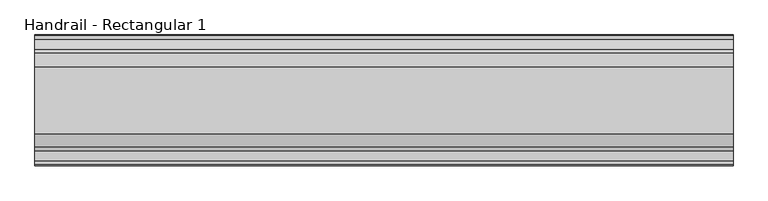
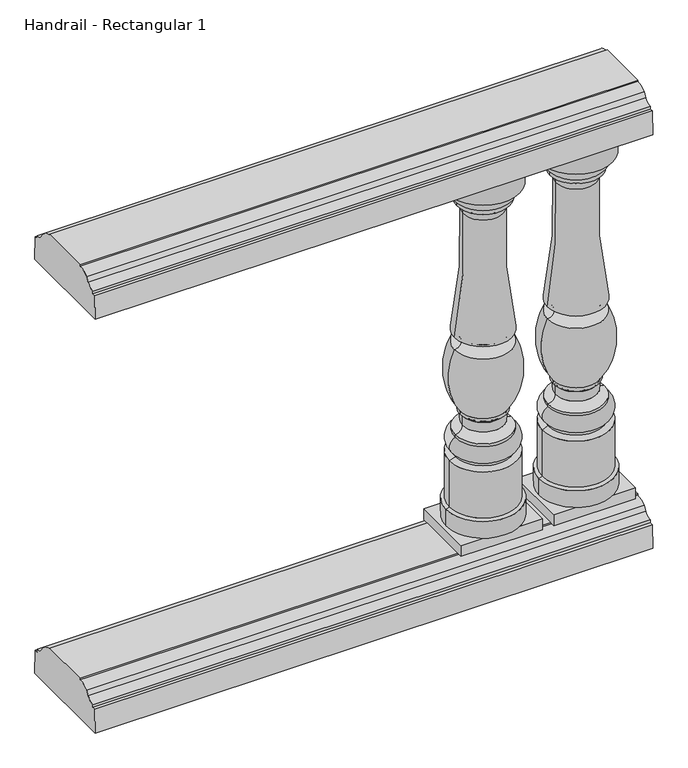
"""IFC4 building model written with IfcOpenShell, lengths in millimetres: railing geometry, Handrail - Rectangular 1."""

from ifc_helpers import new_model, si_unit, point, frame, frame_2d, origin, place, context, project, spatial, polyline, circle_curve, ellipse_curve, trimmed, segment, composite_curve, outline, extrude, source, transform, mapped, element, save
from ifc_brep_helpers import plane_surface, cylinder_surface, revolved_surface, advanced_brep


def handrail_rectangular_1_4c1480f2(model_context):
    return source(origin(), model_context, "Body", "SolidModel", [
        extrude(outline(composite_curve([segment(trimmed(circle_curve(frame_2d((2037.3551798, 1045.36875)), 19.84375), [point((2037.3551798, 1025.525))], [point((2054.4756216, 1035.3355607))], True, "CARTESIAN"), True, "CONTINUOUS"), segment(polyline([(2054.4756216, 1035.3355607), (2060.9356936, 1044.7951059)]), True, "CONTINUOUS"), segment(trimmed(circle_curve(frame_2d((2084.9801798, 1018.38125)), 35.71875), [point((2060.9356936, 1044.7951059))], [point((2084.9801798, 1054.1))], False, "CARTESIAN"), True, "CONTINUOUS"), segment(polyline([(2084.9801798, 1054.1), (2084.9801798, 1057.275), (2200.8676798, 1057.275), (2200.8676798, 1054.1)]), True, "CONTINUOUS"), segment(trimmed(circle_curve(frame_2d((2200.8676798, 1018.38125)), 35.71875), [point((2200.8676798, 1054.1))], [point((2224.912166, 1044.7951059))], False, "CARTESIAN"), True, "CONTINUOUS"), segment(polyline([(2224.912166, 1044.7951059), (2231.372238, 1035.3355607)]), True, "CONTINUOUS"), segment(trimmed(circle_curve(frame_2d((2248.4926798, 1045.36875)), 19.84375), [point((2231.372238, 1035.3355607))], [point((2248.4926798, 1025.525))], True, "CARTESIAN"), True, "CONTINUOUS"), segment(polyline([(2248.4926798, 1025.525), (2248.4926798, 1019.175), (2255.6364298, 1019.175), (2257.2239298, 965.2), (2028.6239298, 965.2), (2030.2114298, 1019.175), (2037.3551798, 1019.175), (2037.3551798, 1025.525)]), True, "CONTINUOUS")], self_intersect=False)), frame((2209.1566037, 0.0, 0.0), z_axis=(1.0, 0.0, 0.0), x_axis=(0.0, 1.0, 0.0)), (0.0, 0.0, 1.0), 1219.2),
        extrude(outline(composite_curve([segment(trimmed(circle_curve(frame_2d((2037.3551798, 89.69375)), 19.84375), [point((2037.3551798, 69.85))], [point((2054.4756216, 79.6605607))], True, "CARTESIAN"), True, "CONTINUOUS"), segment(polyline([(2054.4756216, 79.6605607), (2060.9356936, 89.1201059)]), True, "CONTINUOUS"), segment(trimmed(circle_curve(frame_2d((2084.9801798, 62.70625)), 35.71875), [point((2060.9356936, 89.1201059))], [point((2084.9801798, 98.425))], False, "CARTESIAN"), True, "CONTINUOUS"), segment(polyline([(2084.9801798, 98.425), (2084.9801798, 101.6), (2200.8676798, 101.6), (2200.8676798, 98.425)]), True, "CONTINUOUS"), segment(trimmed(circle_curve(frame_2d((2200.8676798, 62.70625)), 35.71875), [point((2200.8676798, 98.425))], [point((2224.912166, 89.1201059))], False, "CARTESIAN"), True, "CONTINUOUS"), segment(polyline([(2224.912166, 89.1201059), (2231.372238, 79.6605607)]), True, "CONTINUOUS"), segment(trimmed(circle_curve(frame_2d((2248.4926798, 89.69375)), 19.84375), [point((2231.372238, 79.6605607))], [point((2248.4926798, 69.85))], True, "CARTESIAN"), True, "CONTINUOUS"), segment(polyline([(2248.4926798, 69.85), (2248.4926798, 63.5), (2255.6364298, 63.5), (2257.2239298, 9.525), (2028.6239298, 9.525), (2030.2114298, 63.5), (2037.3551798, 63.5), (2037.3551798, 69.85)]), True, "CONTINUOUS")], self_intersect=False)), frame((2209.1566037, 0.0, 0.0), z_axis=(1.0, 0.0, 0.0), x_axis=(0.0, 1.0, 0.0)), (0.0, 0.0, 1.0), 1219.2),
        advanced_brep(
        [(3326.7566037, 2142.9239298, 939.8), (3247.3816037, 2142.9239298, 939.8), (3406.1316037, 2142.9239298, 939.8), (3407.7191037, 2142.9239298, 127.0), (3245.7941037, 2142.9239298, 127.0), (3326.7566037, 2142.9239298, 127.0), (3407.7191037, 2142.9239298, 165.2785542), (3245.7941037, 2142.9239298, 165.2785542), (3400.5753537, 2142.9239298, 168.275), (3252.9378537, 2142.9239298, 168.275), (3400.5753537, 2142.9239298, 274.7335284), (3252.9378537, 2142.9239298, 274.7335284), (3387.8753537, 2142.9239298, 280.19375), (3265.6378537, 2142.9239298, 280.19375), (3387.8753537, 2142.9239298, 286.54375), (3265.6378537, 2142.9239298, 286.54375), (3387.8753537, 2142.9239298, 324.64375), (3265.6378537, 2142.9239298, 324.64375), (3387.8753537, 2142.9239298, 330.99375), (3265.6378537, 2142.9239298, 330.99375), (3372.1684576, 2142.9239298, 347.276159), (3281.3447498, 2142.9239298, 347.276159), (3372.1684576, 2142.9239298, 368.8906259), (3281.3447498, 2142.9239298, 368.8906259), (3376.7628537, 2142.9239298, 373.85625), (3276.7503537, 2142.9239298, 373.85625), (3376.7628537, 2142.9239298, 381.4842759), (3276.7503537, 2142.9239298, 381.4842759), (3389.4628537, 2142.9239298, 527.84375), (3264.0503537, 2142.9239298, 527.84375), (3389.4628537, 2142.9239298, 556.41875), (3264.0503537, 2142.9239298, 556.41875), (3370.9287519, 2142.9239298, 836.1713606), (3282.5844556, 2142.9239298, 836.1713606), (3383.9066037, 2142.9239298, 858.04375), (3269.6066037, 2142.9239298, 858.04375), (3383.9066037, 2142.9239298, 866.775), (3269.6066037, 2142.9239298, 866.775), (3395.0191037, 2142.9239298, 892.175), (3258.4941037, 2142.9239298, 892.175), (3406.1316037, 2142.9239298, 895.35), (3247.3816037, 2142.9239298, 895.35)],
        [
            (0, 1),
            (1, 2, circle_curve(frame((3326.7566037, 2142.9239298, 939.8), z_axis=(0.0, 0.0, 1.0), x_axis=(-1.0, 0.0, 0.0)), 79.375)),
            (2, 0),
            (2, 1, circle_curve(frame((3326.7566037, 2142.9239298, 939.8), z_axis=(0.0, 0.0, 1.0), x_axis=(-1.0, 0.0, 0.0)), 79.375)),
            (3, 4, circle_curve(frame((3326.7566037, 2142.9239298, 127.0), z_axis=(0.0, 0.0, -1.0), x_axis=(-1.0, 0.0, 0.0)), 80.9625)),
            (4, 5),
            (5, 3),
            (4, 3, circle_curve(frame((3326.7566037, 2142.9239298, 127.0), z_axis=(0.0, 0.0, -1.0), x_axis=(-1.0, 0.0, 0.0)), 80.9625)),
            (6, 7, circle_curve(frame((3326.7566037, 2142.9239298, 165.2785542), z_axis=(0.0, 0.0, -1.0), x_axis=(-1.0, 0.0, 0.0)), 80.9625)),
            (7, 4),
            (3, 6),
            (7, 6, circle_curve(frame((3326.7566037, 2142.9239298, 165.2785542), z_axis=(0.0, 0.0, -1.0), x_axis=(-1.0, 0.0, 0.0)), 80.9625)),
            (8, 9, circle_curve(frame((3326.7566037, 2142.9239298, 168.275), z_axis=(0.0, 0.0, -1.0), x_axis=(-1.0, 0.0, 0.0)), 73.81875)),
            (9, 7),
            (6, 8),
            (9, 8, circle_curve(frame((3326.7566037, 2142.9239298, 168.275), z_axis=(0.0, 0.0, -1.0), x_axis=(-1.0, 0.0, 0.0)), 73.81875)),
            (10, 11, circle_curve(frame((3326.7566037, 2142.9239298, 274.7335284), z_axis=(0.0, 0.0, -1.0), x_axis=(-1.0, 0.0, 0.0)), 73.81875)),
            (11, 9),
            (8, 10),
            (11, 10, circle_curve(frame((3326.7566037, 2142.9239298, 274.7335284), z_axis=(0.0, 0.0, -1.0), x_axis=(-1.0, 0.0, 0.0)), 73.81875)),
            (12, 13, circle_curve(frame((3326.7566037, 2142.9239298, 280.19375), z_axis=(0.0, 0.0, -1.0), x_axis=(-1.0, 0.0, 0.0)), 61.11875)),
            (13, 11),
            (10, 12),
            (13, 12, circle_curve(frame((3326.7566037, 2142.9239298, 280.19375), z_axis=(0.0, 0.0, -1.0), x_axis=(-1.0, 0.0, 0.0)), 61.11875)),
            (14, 15, circle_curve(frame((3326.7566037, 2142.9239298, 286.54375), z_axis=(0.0, 0.0, -1.0), x_axis=(-1.0, 0.0, 0.0)), 61.11875)),
            (15, 13),
            (12, 14),
            (15, 14, circle_curve(frame((3326.7566037, 2142.9239298, 286.54375), z_axis=(0.0, 0.0, -1.0), x_axis=(-1.0, 0.0, 0.0)), 61.11875)),
            (16, 17, circle_curve(frame((3326.7566037, 2142.9239298, 324.64375), z_axis=(0.0, 0.0, -1.0), x_axis=(-1.0, 0.0, 0.0)), 61.11875)),
            (17, 15, circle_curve(frame((3273.9031639, 2142.9239298, 305.59375), z_axis=(0.0, -1.0, 0.0), x_axis=(1.0, 0.0, 0.0)), 20.7657856)),
            (14, 16, circle_curve(frame((3379.6100435, 2142.9239298, 305.59375), z_axis=(0.0, -1.0, 0.0), x_axis=(-1.0, 0.0, 0.0)), 20.7657856)),
            (17, 16, circle_curve(frame((3326.7566037, 2142.9239298, 324.64375), z_axis=(0.0, 0.0, -1.0), x_axis=(-1.0, 0.0, 0.0)), 61.11875)),
            (18, 19, circle_curve(frame((3326.7566037, 2142.9239298, 330.99375), z_axis=(0.0, 0.0, -1.0), x_axis=(-1.0, 0.0, 0.0)), 61.11875)),
            (19, 17),
            (16, 18),
            (19, 18, circle_curve(frame((3326.7566037, 2142.9239298, 330.99375), z_axis=(0.0, 0.0, -1.0), x_axis=(-1.0, 0.0, 0.0)), 61.11875)),
            (20, 21, circle_curve(frame((3326.7566037, 2142.9239298, 347.276159), z_axis=(0.0, 0.0, -1.0), x_axis=(-1.0, 0.0, 0.0)), 45.4118539)),
            (21, 19, circle_curve(frame((3266.1048262, 2142.9239298, 346.26035), z_axis=(0.0, 1.0, 0.0), x_axis=(1.0, 0.0, 0.0)), 15.2737402)),
            (18, 20, circle_curve(frame((3387.4083812, 2142.9239298, 346.26035), z_axis=(0.0, 1.0, 0.0), x_axis=(-1.0, 0.0, 0.0)), 15.2737402)),
            (21, 20, circle_curve(frame((3326.7566037, 2142.9239298, 347.276159), z_axis=(0.0, 0.0, -1.0), x_axis=(-1.0, 0.0, 0.0)), 45.4118539)),
            (22, 23, circle_curve(frame((3326.7566037, 2142.9239298, 368.8906259), z_axis=(0.0, 0.0, -1.0), x_axis=(-1.0, 0.0, 0.0)), 45.4118539)),
            (23, 21),
            (20, 22),
            (23, 22, circle_curve(frame((3326.7566037, 2142.9239298, 368.8906259), z_axis=(0.0, 0.0, -1.0), x_axis=(-1.0, 0.0, 0.0)), 45.4118539)),
            (24, 25, circle_curve(frame((3326.7566037, 2142.9239298, 373.85625), z_axis=(0.0, 0.0, -1.0), x_axis=(-1.0, 0.0, 0.0)), 50.00625)),
            (25, 23, circle_curve(frame((3276.4985073, 2142.9239298, 369.014959), z_axis=(0.0, 1.0, 0.0), x_axis=(1.0, 0.0, 0.0)), 4.8478372)),
            (22, 24, circle_curve(frame((3377.0147002, 2142.9239298, 369.014959), z_axis=(0.0, 1.0, 0.0), x_axis=(-1.0, 0.0, 0.0)), 4.8478372)),
            (25, 24, circle_curve(frame((3326.7566037, 2142.9239298, 373.85625), z_axis=(0.0, 0.0, -1.0), x_axis=(-1.0, 0.0, 0.0)), 50.00625)),
            (26, 27, circle_curve(frame((3326.7566037, 2142.9239298, 381.4842759), z_axis=(0.0, 0.0, -1.0), x_axis=(-1.0, 0.0, 0.0)), 50.00625)),
            (27, 25),
            (24, 26),
            (27, 26, circle_curve(frame((3326.7566037, 2142.9239298, 381.4842759), z_axis=(0.0, 0.0, -1.0), x_axis=(-1.0, 0.0, 0.0)), 50.00625)),
            (28, 29, circle_curve(frame((3326.7566037, 2142.9239298, 527.84375), z_axis=(0.0, 0.0, -1.0), x_axis=(-1.0, 0.0, 0.0)), 62.70625)),
            (29, 27, circle_curve(frame((3394.3873348, 2142.9239298, 465.4226923), z_axis=(0.0, -1.0, 0.0), x_axis=(1.0, 0.0, 0.0)), 144.5133802)),
            (26, 28, circle_curve(frame((3259.1258727, 2142.9239298, 465.4226923), z_axis=(0.0, -1.0, 0.0), x_axis=(-1.0, 0.0, 0.0)), 144.5133802)),
            (29, 28, circle_curve(frame((3326.7566037, 2142.9239298, 527.84375), z_axis=(0.0, 0.0, -1.0), x_axis=(-1.0, 0.0, 0.0)), 62.70625)),
            (30, 31, circle_curve(frame((3326.7566037, 2142.9239298, 556.41875), z_axis=(0.0, 0.0, -1.0), x_axis=(-1.0, 0.0, 0.0)), 62.70625)),
            (31, 29, circle_curve(frame((3264.898477, 2142.9239298, 542.13125), z_axis=(0.0, 1.0, 0.0), x_axis=(1.0, 0.0, 0.0)), 14.3126507)),
            (28, 30, circle_curve(frame((3388.6147304, 2142.9239298, 542.13125), z_axis=(0.0, 1.0, 0.0), x_axis=(-1.0, 0.0, 0.0)), 14.3126507)),
            (31, 30, circle_curve(frame((3326.7566037, 2142.9239298, 556.41875), z_axis=(0.0, 0.0, -1.0), x_axis=(-1.0, 0.0, 0.0)), 62.70625)),
            (32, 33, circle_curve(frame((3326.7566037, 2142.9239298, 836.1713606), z_axis=(0.0, 0.0, -1.0), x_axis=(-1.0, 0.0, 0.0)), 44.1721482)),
            (33, 31, circle_curve(frame((2152.7651051, 2142.9239298, 770.5336134), z_axis=(0.0, 1.0, 0.0), x_axis=(1.0, 0.0, 0.0)), 1131.7243827)),
            (30, 32, circle_curve(frame((4500.7481023, 2142.9239298, 770.5336134), z_axis=(0.0, 1.0, 0.0), x_axis=(-1.0, 0.0, 0.0)), 1131.7243827)),
            (33, 32, circle_curve(frame((3326.7566037, 2142.9239298, 836.1713606), z_axis=(0.0, 0.0, -1.0), x_axis=(-1.0, 0.0, 0.0)), 44.1721482)),
            (34, 35, circle_curve(frame((3326.7566037, 2142.9239298, 858.04375), z_axis=(0.0, 0.0, -1.0), x_axis=(-1.0, 0.0, 0.0)), 57.15)),
            (35, 33, circle_curve(frame((3261.5621509, 2142.9239298, 838.4842616), z_axis=(0.0, 1.0, 0.0), x_axis=(1.0, 0.0, 0.0)), 21.1491562)),
            (32, 34, circle_curve(frame((3391.9510566, 2142.9239298, 838.4842616), z_axis=(0.0, 1.0, 0.0), x_axis=(-1.0, 0.0, 0.0)), 21.1491562)),
            (35, 34, circle_curve(frame((3326.7566037, 2142.9239298, 858.04375), z_axis=(0.0, 0.0, -1.0), x_axis=(-1.0, 0.0, 0.0)), 57.15)),
            (36, 37, circle_curve(frame((3326.7566037, 2142.9239298, 866.775), z_axis=(0.0, 0.0, -1.0), x_axis=(-1.0, 0.0, 0.0)), 57.15)),
            (37, 35),
            (34, 36),
            (37, 36, circle_curve(frame((3326.7566037, 2142.9239298, 866.775), z_axis=(0.0, 0.0, -1.0), x_axis=(-1.0, 0.0, 0.0)), 57.15)),
            (38, 39, circle_curve(frame((3326.7566037, 2142.9239298, 892.175), z_axis=(0.0, 0.0, -1.0), x_axis=(-1.0, 0.0, 0.0)), 68.2625)),
            (39, 37, circle_curve(frame((3287.8317085, 2142.9239298, 889.8793427), z_axis=(0.0, -1.0, 0.0), x_axis=(1.0, 0.0, 0.0)), 29.4272849)),
            (36, 38, circle_curve(frame((3365.6814989, 2142.9239298, 889.8793427), z_axis=(0.0, -1.0, 0.0), x_axis=(-1.0, 0.0, 0.0)), 29.4272849)),
            (39, 38, circle_curve(frame((3326.7566037, 2142.9239298, 892.175), z_axis=(0.0, 0.0, -1.0), x_axis=(-1.0, 0.0, 0.0)), 68.2625)),
            (40, 41, circle_curve(frame((3326.7566037, 2142.9239298, 895.35), z_axis=(0.0, 0.0, -1.0), x_axis=(-1.0, 0.0, 0.0)), 79.375)),
            (41, 39),
            (38, 40),
            (41, 40, circle_curve(frame((3326.7566037, 2142.9239298, 895.35), z_axis=(0.0, 0.0, -1.0), x_axis=(-1.0, 0.0, 0.0)), 79.375)),
            (1, 41),
            (40, 2),
        ],
        [
            plane_surface(frame((3326.7566037, 2142.9239298, 939.8), z_axis=(0.0, 0.0, 1.0), x_axis=(-1.0, 0.0, 0.0))),
            plane_surface(frame((3326.7566037, 2142.9239298, 127.0), z_axis=(0.0, 0.0, -1.0), x_axis=(-1.0, 0.0, 0.0))),
            cylinder_surface(frame((3326.7566037, 2142.9239298, 1009.65), z_axis=(0.0, 0.0, 1.0), x_axis=(-1.0, 0.0, 0.0)), 80.9625),
            revolved_surface(polyline([(3245.7941037, 2142.9239298, 165.2785542), (3252.9378537, 2142.9239298, 168.275)]), (3326.7566037, 2142.9239298, 1009.65), (0.0, 0.0, 1.0)),
            cylinder_surface(frame((3326.7566037, 2142.9239298, 1009.65), z_axis=(0.0, 0.0, 1.0), x_axis=(-1.0, 0.0, 0.0)), 73.81875),
            revolved_surface(polyline([(3252.9378537, 2142.9239298, 274.7335284), (3265.6378537, 2142.9239298, 280.19375)]), (3326.7566037, 2142.9239298, 1009.65), (0.0, 0.0, 1.0)),
            cylinder_surface(frame((3326.7566037, 2142.9239298, 1009.65), z_axis=(0.0, 0.0, 1.0), x_axis=(-1.0, 0.0, 0.0)), 61.11875),
            revolved_surface(trimmed(ellipse_curve(frame((3273.9031639, 2142.9239298, 305.59375), z_axis=(0.0, 1.0, 0.0), x_axis=(1.0, 0.0, 0.0)), 20.7657856, 20.7657856), [point((3265.6378537, 2142.9239298, 286.54375))], [point((3265.6378537, 2142.9239298, 324.64375))], True, "CARTESIAN"), (3326.7566037, 2142.9239298, 1009.65), (0.0, 0.0, 1.0)),
            revolved_surface(trimmed(ellipse_curve(frame((3266.1048262, 2142.9239298, 346.26035), z_axis=(0.0, -1.0, 0.0), x_axis=(1.0, 0.0, 0.0)), 15.2737402, 15.2737402), [point((3265.6378537, 2142.9239298, 330.99375))], [point((3281.3447498, 2142.9239298, 347.276159))], True, "CARTESIAN"), (3326.7566037, 2142.9239298, 1009.65), (0.0, 0.0, 1.0)),
            cylinder_surface(frame((3326.7566037, 2142.9239298, 1009.65), z_axis=(0.0, 0.0, 1.0), x_axis=(-1.0, 0.0, 0.0)), 45.4118539),
            revolved_surface(trimmed(ellipse_curve(frame((3276.4985073, 2142.9239298, 369.014959), z_axis=(0.0, -1.0, 0.0), x_axis=(1.0, 0.0, 0.0)), 4.8478372, 4.8478372), [point((3281.3447498, 2142.9239298, 368.8906259))], [point((3276.7503537, 2142.9239298, 373.85625))], True, "CARTESIAN"), (3326.7566037, 2142.9239298, 1009.65), (0.0, 0.0, 1.0)),
            cylinder_surface(frame((3326.7566037, 2142.9239298, 1009.65), z_axis=(0.0, 0.0, 1.0), x_axis=(-1.0, 0.0, 0.0)), 50.00625),
            revolved_surface(trimmed(ellipse_curve(frame((3394.3873348, 2142.9239298, 465.4226923), z_axis=(0.0, 1.0, 0.0), x_axis=(1.0, 0.0, 0.0)), 144.5133802, 144.5133802), [point((3276.7503537, 2142.9239298, 381.4842759))], [point((3264.0503537, 2142.9239298, 527.84375))], True, "CARTESIAN"), (3326.7566037, 2142.9239298, 1009.65), (0.0, 0.0, 1.0)),
            revolved_surface(trimmed(ellipse_curve(frame((3264.898477, 2142.9239298, 542.13125), z_axis=(0.0, -1.0, 0.0), x_axis=(1.0, 0.0, 0.0)), 14.3126507, 14.3126507), [point((3264.0503537, 2142.9239298, 527.84375))], [point((3264.0503537, 2142.9239298, 556.41875))], True, "CARTESIAN"), (3326.7566037, 2142.9239298, 1009.65), (0.0, 0.0, 1.0)),
            revolved_surface(trimmed(ellipse_curve(frame((2152.7651051, 2142.9239298, 770.5336134), z_axis=(0.0, -1.0, 0.0), x_axis=(1.0, 0.0, 0.0)), 1131.7243827, 1131.7243827), [point((3264.0503537, 2142.9239298, 556.41875))], [point((3282.5844556, 2142.9239298, 836.1713606))], True, "CARTESIAN"), (3326.7566037, 2142.9239298, 1009.65), (0.0, 0.0, 1.0)),
            revolved_surface(trimmed(ellipse_curve(frame((3261.5621509, 2142.9239298, 838.4842616), z_axis=(0.0, -1.0, 0.0), x_axis=(1.0, 0.0, 0.0)), 21.1491562, 21.1491562), [point((3282.5844556, 2142.9239298, 836.1713606))], [point((3269.6066037, 2142.9239298, 858.04375))], True, "CARTESIAN"), (3326.7566037, 2142.9239298, 1009.65), (0.0, 0.0, 1.0)),
            cylinder_surface(frame((3326.7566037, 2142.9239298, 1009.65), z_axis=(0.0, 0.0, 1.0), x_axis=(-1.0, 0.0, 0.0)), 57.15),
            revolved_surface(trimmed(ellipse_curve(frame((3287.8317085, 2142.9239298, 889.8793427), z_axis=(0.0, 1.0, 0.0), x_axis=(1.0, 0.0, 0.0)), 29.4272849, 29.4272849), [point((3269.6066037, 2142.9239298, 866.775))], [point((3258.4941037, 2142.9239298, 892.175))], True, "CARTESIAN"), (3326.7566037, 2142.9239298, 1009.65), (0.0, 0.0, 1.0)),
            revolved_surface(polyline([(3258.4941037, 2142.9239298, 892.175), (3247.3816037, 2142.9239298, 895.35)]), (3326.7566037, 2142.9239298, 1009.65), (0.0, 0.0, 1.0)),
            cylinder_surface(frame((3326.7566037, 2142.9239298, 1009.65), z_axis=(0.0, 0.0, 1.0), x_axis=(-1.0, 0.0, 0.0)), 79.375),
        ],
        [
            (0, [[1, 2, 3]]),
            (0, [[-3, 4, -1]]),
            (1, [[5, 6, 7]]),
            (1, [[8, -7, -6]]),
            (2, [[9, 10, -5, 11]]),
            (2, [[12, -11, -8, -10]]),
            (3, [[13, 14, -9, 15]]),
            (3, [[16, -15, -12, -14]]),
            (4, [[17, 18, -13, 19]]),
            (4, [[20, -19, -16, -18]]),
            (5, [[21, 22, -17, 23]]),
            (5, [[24, -23, -20, -22]]),
            (6, [[25, 26, -21, 27]]),
            (6, [[28, -27, -24, -26]]),
            (7, [[29, 30, -25, 31]]),
            (7, [[32, -31, -28, -30]]),
            (6, [[33, 34, -29, 35]]),
            (6, [[36, -35, -32, -34]]),
            (8, [[37, 38, -33, 39]]),
            (8, [[40, -39, -36, -38]]),
            (9, [[41, 42, -37, 43]]),
            (9, [[44, -43, -40, -42]]),
            (10, [[45, 46, -41, 47]]),
            (10, [[48, -47, -44, -46]]),
            (11, [[49, 50, -45, 51]]),
            (11, [[52, -51, -48, -50]]),
            (12, [[53, 54, -49, 55]]),
            (12, [[56, -55, -52, -54]]),
            (13, [[57, 58, -53, 59]]),
            (13, [[60, -59, -56, -58]]),
            (14, [[61, 62, -57, 63]]),
            (14, [[64, -63, -60, -62]]),
            (15, [[65, 66, -61, 67]]),
            (15, [[68, -67, -64, -66]]),
            (16, [[69, 70, -65, 71]]),
            (16, [[72, -71, -68, -70]]),
            (17, [[73, 74, -69, 75]]),
            (17, [[76, -75, -72, -74]]),
            (18, [[77, 78, -73, 79]]),
            (18, [[80, -79, -76, -78]]),
            (19, [[-2, 81, -77, 82]]),
            (19, [[-4, -82, -80, -81]]),
        ],
    ),
        extrude(outline(polyline([(3237.8566037, 2073.0739298), (3237.8566037, 2212.7739298), (3415.6566037, 2212.7739298), (3415.6566037, 2073.0739298), (3237.8566037, 2073.0739298)])), frame((0.0, 0.0, 101.6), z_axis=(0.0, 0.0, 1.0), x_axis=(1.0, 0.0, 0.0)), (0.0, 0.0, 1.0), 25.4),
        extrude(outline(polyline([(3237.8566037, 2212.7739298), (3415.6566037, 2212.7739298), (3415.6566037, 2073.0739298), (3237.8566037, 2073.0739298), (3237.8566037, 2212.7739298)])), frame((0.0, 0.0, 939.8), z_axis=(0.0, 0.0, 1.0), x_axis=(1.0, 0.0, 0.0)), (0.0, 0.0, 1.0), 25.4),
        advanced_brep(
        [(3123.5566037, 2142.9239298, 939.8), (3044.1816037, 2142.9239298, 939.8), (3202.9316037, 2142.9239298, 939.8), (3204.5191037, 2142.9239298, 127.0), (3042.5941037, 2142.9239298, 127.0), (3123.5566037, 2142.9239298, 127.0), (3204.5191037, 2142.9239298, 165.2785542), (3042.5941037, 2142.9239298, 165.2785542), (3197.3753537, 2142.9239298, 168.275), (3049.7378537, 2142.9239298, 168.275), (3197.3753537, 2142.9239298, 274.7335284), (3049.7378537, 2142.9239298, 274.7335284), (3184.6753537, 2142.9239298, 280.19375), (3062.4378537, 2142.9239298, 280.19375), (3184.6753537, 2142.9239298, 286.54375), (3062.4378537, 2142.9239298, 286.54375), (3184.6753537, 2142.9239298, 324.64375), (3062.4378537, 2142.9239298, 324.64375), (3184.6753537, 2142.9239298, 330.99375), (3062.4378537, 2142.9239298, 330.99375), (3168.9684576, 2142.9239298, 347.276159), (3078.1447498, 2142.9239298, 347.276159), (3168.9684576, 2142.9239298, 368.8906259), (3078.1447498, 2142.9239298, 368.8906259), (3173.5628537, 2142.9239298, 373.85625), (3073.5503537, 2142.9239298, 373.85625), (3173.5628537, 2142.9239298, 381.4842759), (3073.5503537, 2142.9239298, 381.4842759), (3186.2628537, 2142.9239298, 527.84375), (3060.8503537, 2142.9239298, 527.84375), (3186.2628537, 2142.9239298, 556.41875), (3060.8503537, 2142.9239298, 556.41875), (3167.7287519, 2142.9239298, 836.1713606), (3079.3844556, 2142.9239298, 836.1713606), (3180.7066037, 2142.9239298, 858.04375), (3066.4066037, 2142.9239298, 858.04375), (3180.7066037, 2142.9239298, 866.775), (3066.4066037, 2142.9239298, 866.775), (3191.8191037, 2142.9239298, 892.175), (3055.2941037, 2142.9239298, 892.175), (3202.9316037, 2142.9239298, 895.35), (3044.1816037, 2142.9239298, 895.35)],
        [
            (0, 1),
            (1, 2, circle_curve(frame((3123.5566037, 2142.9239298, 939.8), z_axis=(0.0, 0.0, 1.0), x_axis=(-1.0, 0.0, 0.0)), 79.375)),
            (2, 0),
            (2, 1, circle_curve(frame((3123.5566037, 2142.9239298, 939.8), z_axis=(0.0, 0.0, 1.0), x_axis=(-1.0, 0.0, 0.0)), 79.375)),
            (3, 4, circle_curve(frame((3123.5566037, 2142.9239298, 127.0), z_axis=(0.0, 0.0, -1.0), x_axis=(-1.0, 0.0, 0.0)), 80.9625)),
            (4, 5),
            (5, 3),
            (4, 3, circle_curve(frame((3123.5566037, 2142.9239298, 127.0), z_axis=(0.0, 0.0, -1.0), x_axis=(-1.0, 0.0, 0.0)), 80.9625)),
            (6, 7, circle_curve(frame((3123.5566037, 2142.9239298, 165.2785542), z_axis=(0.0, 0.0, -1.0), x_axis=(-1.0, 0.0, 0.0)), 80.9625)),
            (7, 4),
            (3, 6),
            (7, 6, circle_curve(frame((3123.5566037, 2142.9239298, 165.2785542), z_axis=(0.0, 0.0, -1.0), x_axis=(-1.0, 0.0, 0.0)), 80.9625)),
            (8, 9, circle_curve(frame((3123.5566037, 2142.9239298, 168.275), z_axis=(0.0, 0.0, -1.0), x_axis=(-1.0, 0.0, 0.0)), 73.81875)),
            (9, 7),
            (6, 8),
            (9, 8, circle_curve(frame((3123.5566037, 2142.9239298, 168.275), z_axis=(0.0, 0.0, -1.0), x_axis=(-1.0, 0.0, 0.0)), 73.81875)),
            (10, 11, circle_curve(frame((3123.5566037, 2142.9239298, 274.7335284), z_axis=(0.0, 0.0, -1.0), x_axis=(-1.0, 0.0, 0.0)), 73.81875)),
            (11, 9),
            (8, 10),
            (11, 10, circle_curve(frame((3123.5566037, 2142.9239298, 274.7335284), z_axis=(0.0, 0.0, -1.0), x_axis=(-1.0, 0.0, 0.0)), 73.81875)),
            (12, 13, circle_curve(frame((3123.5566037, 2142.9239298, 280.19375), z_axis=(0.0, 0.0, -1.0), x_axis=(-1.0, 0.0, 0.0)), 61.11875)),
            (13, 11),
            (10, 12),
            (13, 12, circle_curve(frame((3123.5566037, 2142.9239298, 280.19375), z_axis=(0.0, 0.0, -1.0), x_axis=(-1.0, 0.0, 0.0)), 61.11875)),
            (14, 15, circle_curve(frame((3123.5566037, 2142.9239298, 286.54375), z_axis=(0.0, 0.0, -1.0), x_axis=(-1.0, 0.0, 0.0)), 61.11875)),
            (15, 13),
            (12, 14),
            (15, 14, circle_curve(frame((3123.5566037, 2142.9239298, 286.54375), z_axis=(0.0, 0.0, -1.0), x_axis=(-1.0, 0.0, 0.0)), 61.11875)),
            (16, 17, circle_curve(frame((3123.5566037, 2142.9239298, 324.64375), z_axis=(0.0, 0.0, -1.0), x_axis=(-1.0, 0.0, 0.0)), 61.11875)),
            (17, 15, circle_curve(frame((3070.7031639, 2142.9239298, 305.59375), z_axis=(0.0, -1.0, 0.0), x_axis=(1.0, 0.0, 0.0)), 20.7657856)),
            (14, 16, circle_curve(frame((3176.4100435, 2142.9239298, 305.59375), z_axis=(0.0, -1.0, 0.0), x_axis=(-1.0, 0.0, 0.0)), 20.7657856)),
            (17, 16, circle_curve(frame((3123.5566037, 2142.9239298, 324.64375), z_axis=(0.0, 0.0, -1.0), x_axis=(-1.0, 0.0, 0.0)), 61.11875)),
            (18, 19, circle_curve(frame((3123.5566037, 2142.9239298, 330.99375), z_axis=(0.0, 0.0, -1.0), x_axis=(-1.0, 0.0, 0.0)), 61.11875)),
            (19, 17),
            (16, 18),
            (19, 18, circle_curve(frame((3123.5566037, 2142.9239298, 330.99375), z_axis=(0.0, 0.0, -1.0), x_axis=(-1.0, 0.0, 0.0)), 61.11875)),
            (20, 21, circle_curve(frame((3123.5566037, 2142.9239298, 347.276159), z_axis=(0.0, 0.0, -1.0), x_axis=(-1.0, 0.0, 0.0)), 45.4118539)),
            (21, 19, circle_curve(frame((3062.9048262, 2142.9239298, 346.26035), z_axis=(0.0, 1.0, 0.0), x_axis=(1.0, 0.0, 0.0)), 15.2737402)),
            (18, 20, circle_curve(frame((3184.2083812, 2142.9239298, 346.26035), z_axis=(0.0, 1.0, 0.0), x_axis=(-1.0, 0.0, 0.0)), 15.2737402)),
            (21, 20, circle_curve(frame((3123.5566037, 2142.9239298, 347.276159), z_axis=(0.0, 0.0, -1.0), x_axis=(-1.0, 0.0, 0.0)), 45.4118539)),
            (22, 23, circle_curve(frame((3123.5566037, 2142.9239298, 368.8906259), z_axis=(0.0, 0.0, -1.0), x_axis=(-1.0, 0.0, 0.0)), 45.4118539)),
            (23, 21),
            (20, 22),
            (23, 22, circle_curve(frame((3123.5566037, 2142.9239298, 368.8906259), z_axis=(0.0, 0.0, -1.0), x_axis=(-1.0, 0.0, 0.0)), 45.4118539)),
            (24, 25, circle_curve(frame((3123.5566037, 2142.9239298, 373.85625), z_axis=(0.0, 0.0, -1.0), x_axis=(-1.0, 0.0, 0.0)), 50.00625)),
            (25, 23, circle_curve(frame((3073.2985073, 2142.9239298, 369.014959), z_axis=(0.0, 1.0, 0.0), x_axis=(1.0, 0.0, 0.0)), 4.8478372)),
            (22, 24, circle_curve(frame((3173.8147002, 2142.9239298, 369.014959), z_axis=(0.0, 1.0, 0.0), x_axis=(-1.0, 0.0, 0.0)), 4.8478372)),
            (25, 24, circle_curve(frame((3123.5566037, 2142.9239298, 373.85625), z_axis=(0.0, 0.0, -1.0), x_axis=(-1.0, 0.0, 0.0)), 50.00625)),
            (26, 27, circle_curve(frame((3123.5566037, 2142.9239298, 381.4842759), z_axis=(0.0, 0.0, -1.0), x_axis=(-1.0, 0.0, 0.0)), 50.00625)),
            (27, 25),
            (24, 26),
            (27, 26, circle_curve(frame((3123.5566037, 2142.9239298, 381.4842759), z_axis=(0.0, 0.0, -1.0), x_axis=(-1.0, 0.0, 0.0)), 50.00625)),
            (28, 29, circle_curve(frame((3123.5566037, 2142.9239298, 527.84375), z_axis=(0.0, 0.0, -1.0), x_axis=(-1.0, 0.0, 0.0)), 62.70625)),
            (29, 27, circle_curve(frame((3191.1873348, 2142.9239298, 465.4226923), z_axis=(0.0, -1.0, 0.0), x_axis=(1.0, 0.0, 0.0)), 144.5133802)),
            (26, 28, circle_curve(frame((3055.9258727, 2142.9239298, 465.4226923), z_axis=(0.0, -1.0, 0.0), x_axis=(-1.0, 0.0, 0.0)), 144.5133802)),
            (29, 28, circle_curve(frame((3123.5566037, 2142.9239298, 527.84375), z_axis=(0.0, 0.0, -1.0), x_axis=(-1.0, 0.0, 0.0)), 62.70625)),
            (30, 31, circle_curve(frame((3123.5566037, 2142.9239298, 556.41875), z_axis=(0.0, 0.0, -1.0), x_axis=(-1.0, 0.0, 0.0)), 62.70625)),
            (31, 29, circle_curve(frame((3061.698477, 2142.9239298, 542.13125), z_axis=(0.0, 1.0, 0.0), x_axis=(1.0, 0.0, 0.0)), 14.3126507)),
            (28, 30, circle_curve(frame((3185.4147304, 2142.9239298, 542.13125), z_axis=(0.0, 1.0, 0.0), x_axis=(-1.0, 0.0, 0.0)), 14.3126507)),
            (31, 30, circle_curve(frame((3123.5566037, 2142.9239298, 556.41875), z_axis=(0.0, 0.0, -1.0), x_axis=(-1.0, 0.0, 0.0)), 62.70625)),
            (32, 33, circle_curve(frame((3123.5566037, 2142.9239298, 836.1713606), z_axis=(0.0, 0.0, -1.0), x_axis=(-1.0, 0.0, 0.0)), 44.1721482)),
            (33, 31, circle_curve(frame((1949.5651051, 2142.9239298, 770.5336134), z_axis=(0.0, 1.0, 0.0), x_axis=(1.0, 0.0, 0.0)), 1131.7243827)),
            (30, 32, circle_curve(frame((4297.5481023, 2142.9239298, 770.5336134), z_axis=(0.0, 1.0, 0.0), x_axis=(-1.0, 0.0, 0.0)), 1131.7243827)),
            (33, 32, circle_curve(frame((3123.5566037, 2142.9239298, 836.1713606), z_axis=(0.0, 0.0, -1.0), x_axis=(-1.0, 0.0, 0.0)), 44.1721482)),
            (34, 35, circle_curve(frame((3123.5566037, 2142.9239298, 858.04375), z_axis=(0.0, 0.0, -1.0), x_axis=(-1.0, 0.0, 0.0)), 57.15)),
            (35, 33, circle_curve(frame((3058.3621509, 2142.9239298, 838.4842616), z_axis=(0.0, 1.0, 0.0), x_axis=(1.0, 0.0, 0.0)), 21.1491562)),
            (32, 34, circle_curve(frame((3188.7510566, 2142.9239298, 838.4842616), z_axis=(0.0, 1.0, 0.0), x_axis=(-1.0, 0.0, 0.0)), 21.1491562)),
            (35, 34, circle_curve(frame((3123.5566037, 2142.9239298, 858.04375), z_axis=(0.0, 0.0, -1.0), x_axis=(-1.0, 0.0, 0.0)), 57.15)),
            (36, 37, circle_curve(frame((3123.5566037, 2142.9239298, 866.775), z_axis=(0.0, 0.0, -1.0), x_axis=(-1.0, 0.0, 0.0)), 57.15)),
            (37, 35),
            (34, 36),
            (37, 36, circle_curve(frame((3123.5566037, 2142.9239298, 866.775), z_axis=(0.0, 0.0, -1.0), x_axis=(-1.0, 0.0, 0.0)), 57.15)),
            (38, 39, circle_curve(frame((3123.5566037, 2142.9239298, 892.175), z_axis=(0.0, 0.0, -1.0), x_axis=(-1.0, 0.0, 0.0)), 68.2625)),
            (39, 37, circle_curve(frame((3084.6317085, 2142.9239298, 889.8793427), z_axis=(0.0, -1.0, 0.0), x_axis=(1.0, 0.0, 0.0)), 29.4272849)),
            (36, 38, circle_curve(frame((3162.4814989, 2142.9239298, 889.8793427), z_axis=(0.0, -1.0, 0.0), x_axis=(-1.0, 0.0, 0.0)), 29.4272849)),
            (39, 38, circle_curve(frame((3123.5566037, 2142.9239298, 892.175), z_axis=(0.0, 0.0, -1.0), x_axis=(-1.0, 0.0, 0.0)), 68.2625)),
            (40, 41, circle_curve(frame((3123.5566037, 2142.9239298, 895.35), z_axis=(0.0, 0.0, -1.0), x_axis=(-1.0, 0.0, 0.0)), 79.375)),
            (41, 39),
            (38, 40),
            (41, 40, circle_curve(frame((3123.5566037, 2142.9239298, 895.35), z_axis=(0.0, 0.0, -1.0), x_axis=(-1.0, 0.0, 0.0)), 79.375)),
            (1, 41),
            (40, 2),
        ],
        [
            plane_surface(frame((3123.5566037, 2142.9239298, 939.8), z_axis=(0.0, 0.0, 1.0), x_axis=(-1.0, 0.0, 0.0))),
            plane_surface(frame((3123.5566037, 2142.9239298, 127.0), z_axis=(0.0, 0.0, -1.0), x_axis=(-1.0, 0.0, 0.0))),
            cylinder_surface(frame((3123.5566037, 2142.9239298, 1009.65), z_axis=(0.0, 0.0, 1.0), x_axis=(-1.0, 0.0, 0.0)), 80.9625),
            revolved_surface(polyline([(3042.5941037, 2142.9239298, 165.2785542), (3049.7378537, 2142.9239298, 168.275)]), (3123.5566037, 2142.9239298, 1009.65), (0.0, 0.0, 1.0)),
            cylinder_surface(frame((3123.5566037, 2142.9239298, 1009.65), z_axis=(0.0, 0.0, 1.0), x_axis=(-1.0, 0.0, 0.0)), 73.81875),
            revolved_surface(polyline([(3049.7378537, 2142.9239298, 274.7335284), (3062.4378537, 2142.9239298, 280.19375)]), (3123.5566037, 2142.9239298, 1009.65), (0.0, 0.0, 1.0)),
            cylinder_surface(frame((3123.5566037, 2142.9239298, 1009.65), z_axis=(0.0, 0.0, 1.0), x_axis=(-1.0, 0.0, 0.0)), 61.11875),
            revolved_surface(trimmed(ellipse_curve(frame((3070.7031639, 2142.9239298, 305.59375), z_axis=(0.0, 1.0, 0.0), x_axis=(1.0, 0.0, 0.0)), 20.7657856, 20.7657856), [point((3062.4378537, 2142.9239298, 286.54375))], [point((3062.4378537, 2142.9239298, 324.64375))], True, "CARTESIAN"), (3123.5566037, 2142.9239298, 1009.65), (0.0, 0.0, 1.0)),
            revolved_surface(trimmed(ellipse_curve(frame((3062.9048262, 2142.9239298, 346.26035), z_axis=(0.0, -1.0, 0.0), x_axis=(1.0, 0.0, 0.0)), 15.2737402, 15.2737402), [point((3062.4378537, 2142.9239298, 330.99375))], [point((3078.1447498, 2142.9239298, 347.276159))], True, "CARTESIAN"), (3123.5566037, 2142.9239298, 1009.65), (0.0, 0.0, 1.0)),
            cylinder_surface(frame((3123.5566037, 2142.9239298, 1009.65), z_axis=(0.0, 0.0, 1.0), x_axis=(-1.0, 0.0, 0.0)), 45.4118539),
            revolved_surface(trimmed(ellipse_curve(frame((3073.2985073, 2142.9239298, 369.014959), z_axis=(0.0, -1.0, 0.0), x_axis=(1.0, 0.0, 0.0)), 4.8478372, 4.8478372), [point((3078.1447498, 2142.9239298, 368.8906259))], [point((3073.5503537, 2142.9239298, 373.85625))], True, "CARTESIAN"), (3123.5566037, 2142.9239298, 1009.65), (0.0, 0.0, 1.0)),
            cylinder_surface(frame((3123.5566037, 2142.9239298, 1009.65), z_axis=(0.0, 0.0, 1.0), x_axis=(-1.0, 0.0, 0.0)), 50.00625),
            revolved_surface(trimmed(ellipse_curve(frame((3191.1873348, 2142.9239298, 465.4226923), z_axis=(0.0, 1.0, 0.0), x_axis=(1.0, 0.0, 0.0)), 144.5133802, 144.5133802), [point((3073.5503537, 2142.9239298, 381.4842759))], [point((3060.8503537, 2142.9239298, 527.84375))], True, "CARTESIAN"), (3123.5566037, 2142.9239298, 1009.65), (0.0, 0.0, 1.0)),
            revolved_surface(trimmed(ellipse_curve(frame((3061.698477, 2142.9239298, 542.13125), z_axis=(0.0, -1.0, 0.0), x_axis=(1.0, 0.0, 0.0)), 14.3126507, 14.3126507), [point((3060.8503537, 2142.9239298, 527.84375))], [point((3060.8503537, 2142.9239298, 556.41875))], True, "CARTESIAN"), (3123.5566037, 2142.9239298, 1009.65), (0.0, 0.0, 1.0)),
            revolved_surface(trimmed(ellipse_curve(frame((1949.5651051, 2142.9239298, 770.5336134), z_axis=(0.0, -1.0, 0.0), x_axis=(1.0, 0.0, 0.0)), 1131.7243827, 1131.7243827), [point((3060.8503537, 2142.9239298, 556.41875))], [point((3079.3844556, 2142.9239298, 836.1713606))], True, "CARTESIAN"), (3123.5566037, 2142.9239298, 1009.65), (0.0, 0.0, 1.0)),
            revolved_surface(trimmed(ellipse_curve(frame((3058.3621509, 2142.9239298, 838.4842616), z_axis=(0.0, -1.0, 0.0), x_axis=(1.0, 0.0, 0.0)), 21.1491562, 21.1491562), [point((3079.3844556, 2142.9239298, 836.1713606))], [point((3066.4066037, 2142.9239298, 858.04375))], True, "CARTESIAN"), (3123.5566037, 2142.9239298, 1009.65), (0.0, 0.0, 1.0)),
            cylinder_surface(frame((3123.5566037, 2142.9239298, 1009.65), z_axis=(0.0, 0.0, 1.0), x_axis=(-1.0, 0.0, 0.0)), 57.15),
            revolved_surface(trimmed(ellipse_curve(frame((3084.6317085, 2142.9239298, 889.8793427), z_axis=(0.0, 1.0, 0.0), x_axis=(1.0, 0.0, 0.0)), 29.4272849, 29.4272849), [point((3066.4066037, 2142.9239298, 866.775))], [point((3055.2941037, 2142.9239298, 892.175))], True, "CARTESIAN"), (3123.5566037, 2142.9239298, 1009.65), (0.0, 0.0, 1.0)),
            revolved_surface(polyline([(3055.2941037, 2142.9239298, 892.175), (3044.1816037, 2142.9239298, 895.35)]), (3123.5566037, 2142.9239298, 1009.65), (0.0, 0.0, 1.0)),
            cylinder_surface(frame((3123.5566037, 2142.9239298, 1009.65), z_axis=(0.0, 0.0, 1.0), x_axis=(-1.0, 0.0, 0.0)), 79.375),
        ],
        [
            (0, [[1, 2, 3]]),
            (0, [[-3, 4, -1]]),
            (1, [[5, 6, 7]]),
            (1, [[8, -7, -6]]),
            (2, [[9, 10, -5, 11]]),
            (2, [[12, -11, -8, -10]]),
            (3, [[13, 14, -9, 15]]),
            (3, [[16, -15, -12, -14]]),
            (4, [[17, 18, -13, 19]]),
            (4, [[20, -19, -16, -18]]),
            (5, [[21, 22, -17, 23]]),
            (5, [[24, -23, -20, -22]]),
            (6, [[25, 26, -21, 27]]),
            (6, [[28, -27, -24, -26]]),
            (7, [[29, 30, -25, 31]]),
            (7, [[32, -31, -28, -30]]),
            (6, [[33, 34, -29, 35]]),
            (6, [[36, -35, -32, -34]]),
            (8, [[37, 38, -33, 39]]),
            (8, [[40, -39, -36, -38]]),
            (9, [[41, 42, -37, 43]]),
            (9, [[44, -43, -40, -42]]),
            (10, [[45, 46, -41, 47]]),
            (10, [[48, -47, -44, -46]]),
            (11, [[49, 50, -45, 51]]),
            (11, [[52, -51, -48, -50]]),
            (12, [[53, 54, -49, 55]]),
            (12, [[56, -55, -52, -54]]),
            (13, [[57, 58, -53, 59]]),
            (13, [[60, -59, -56, -58]]),
            (14, [[61, 62, -57, 63]]),
            (14, [[64, -63, -60, -62]]),
            (15, [[65, 66, -61, 67]]),
            (15, [[68, -67, -64, -66]]),
            (16, [[69, 70, -65, 71]]),
            (16, [[72, -71, -68, -70]]),
            (17, [[73, 74, -69, 75]]),
            (17, [[76, -75, -72, -74]]),
            (18, [[77, 78, -73, 79]]),
            (18, [[80, -79, -76, -78]]),
            (19, [[-2, 81, -77, 82]]),
            (19, [[-4, -82, -80, -81]]),
        ],
    ),
        extrude(outline(polyline([(3034.6566037, 2073.0739298), (3034.6566037, 2212.7739298), (3212.4566037, 2212.7739298), (3212.4566037, 2073.0739298), (3034.6566037, 2073.0739298)])), frame((0.0, 0.0, 101.6), z_axis=(0.0, 0.0, 1.0), x_axis=(1.0, 0.0, 0.0)), (0.0, 0.0, 1.0), 25.4),
        extrude(outline(polyline([(3034.6566037, 2212.7739298), (3212.4566037, 2212.7739298), (3212.4566037, 2073.0739298), (3034.6566037, 2073.0739298), (3034.6566037, 2212.7739298)])), frame((0.0, 0.0, 939.8), z_axis=(0.0, 0.0, 1.0), x_axis=(1.0, 0.0, 0.0)), (0.0, 0.0, 1.0), 25.4),
    ])


if __name__ == "__main__":
    model = new_model("IFC4")
    model_context = context("Model", 3, world=origin())
    ifc_project = project(units=[si_unit("LENGTHUNIT", "METRE", prefix="MILLI")], contexts=[model_context])
    site = spatial("IfcSite", under=ifc_project)
    building = spatial("IfcBuilding", under=site)
    placement = place(None, origin())
    handrail_rectangular_1_shape = handrail_rectangular_1_4c1480f2(model_context)
    element("IfcRailing", 1, ObjectType="Handrail - Rectangular 1", at=placement, inside=building, context=model_context, shape_type="MappedRepresentation", body=[
        mapped(handrail_rectangular_1_shape, transform((0.0, 0.0, 0.0), x_axis=(1.0, 0.0, 0.0), y_axis=(0.0, 1.0, 0.0), z_axis=(0.0, 0.0, 1.0))),
    ])
    save(model, "model.ifc")
